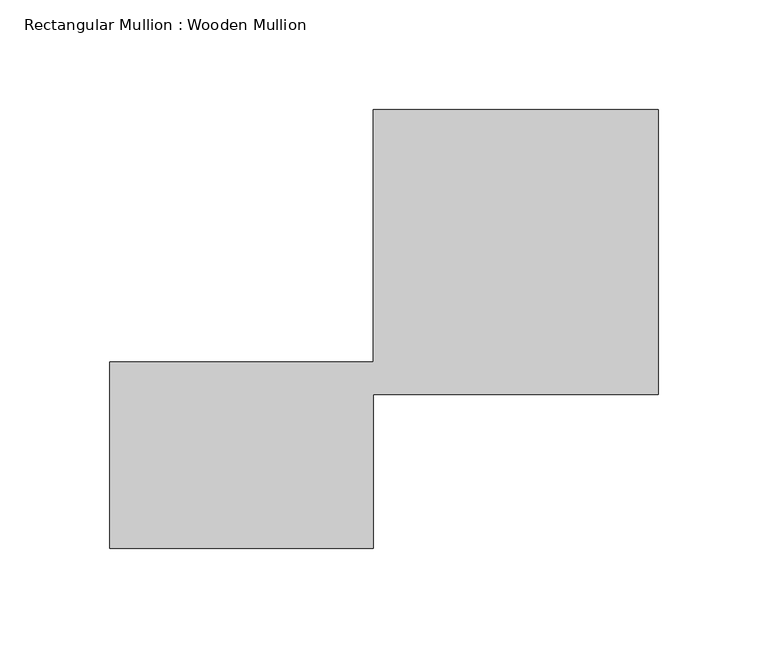
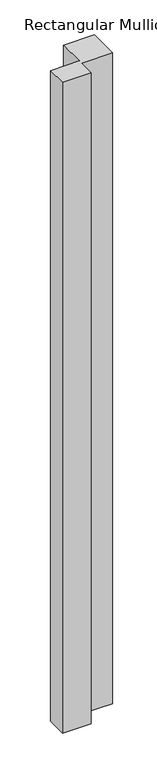
"""IFC4 building model written with IfcOpenShell, lengths in millimetres: member geometry, Rectangular Mullion : Wooden Mullion."""

from ifc_helpers import new_model, si_unit, frame, origin, place, context, project, spatial, polyline, outline, extrude, source, transform, mapped, element, save


def rectangular_mullion_wooden_mullion_c799360c(model_context):
    return source(origin(), model_context, "Body", "SweptSolid", [
        extrude(outline(polyline([(74.8100006, -26.0137344), (-45.1899994, -26.0137344), (-45.1899994, 58.9862656), (74.8100006, 58.9862656), (74.8100006, 173.9862656), (204.8100006, 173.9862656), (204.8100006, 43.9862656), (74.8100006, 43.9862656), (74.8100006, -26.0137344)])), frame((0.0, 0.0, -2875.90662), z_axis=(0.0, 0.0, 1.0), x_axis=(1.0, 0.0, 0.0)), (0.0, 0.0, 1.0), 2875.90662),
    ])


if __name__ == "__main__":
    model = new_model("IFC4")
    model_context = context("Model", 3, world=origin())
    ifc_project = project(units=[si_unit("LENGTHUNIT", "METRE", prefix="MILLI")], contexts=[model_context])
    site = spatial("IfcSite", under=ifc_project)
    building = spatial("IfcBuilding", under=site)
    placement = place(None, origin())
    rectangular_mullion_wooden_mullion_shape = rectangular_mullion_wooden_mullion_c799360c(model_context)
    element("IfcMember", 1, ObjectType="Rectangular Mullion : Wooden Mullion", at=placement, inside=building, context=model_context, shape_type="MappedRepresentation", body=[
        mapped(rectangular_mullion_wooden_mullion_shape, transform((0.0, 0.0, 0.0), x_axis=(1.0, 0.0, 0.0), y_axis=(0.0, 1.0, 0.0), z_axis=(0.0, 0.0, 1.0))),
    ])
    save(model, "model.ifc")
